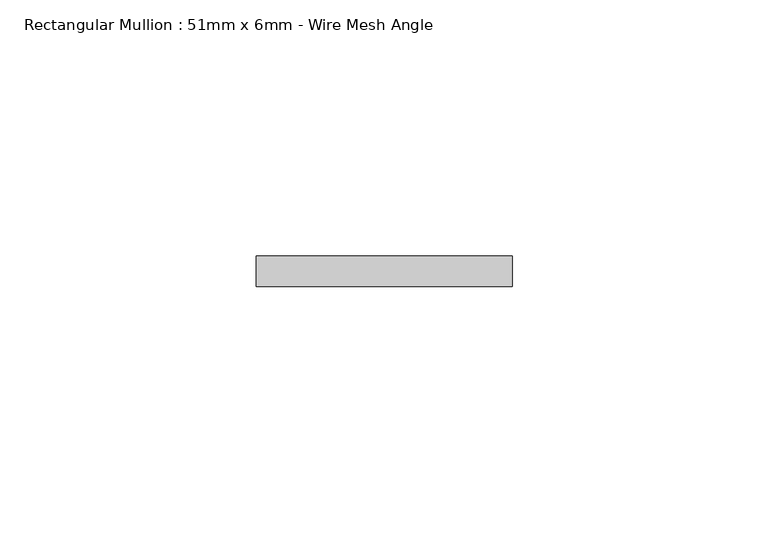
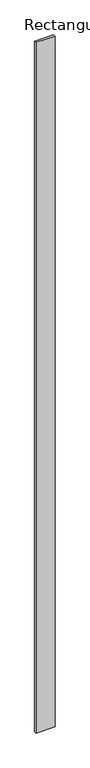
"""IFC4 building model written with IfcOpenShell, lengths in millimetres: member geometry, Rectangular Mullion : 51mm x 6mm - Wire Mesh Angle."""

from ifc_helpers import new_model, si_unit, frame, origin, place, context, project, spatial, polyline, outline, extrude, source, transform, mapped, element, save


def rectangular_mullion_51mm_x_6mm_wire_mesh_angle_e69eb967(model_context):
    return source(origin(), model_context, "Body", "SweptSolid", [
        extrude(outline(polyline([(25.0, 3.0), (25.0, -3.0), (-25.0, -3.0), (-25.0, 3.0), (25.0, 3.0)])), frame((0.0, 0.0, -1923.8), z_axis=(0.0, 0.0, 1.0), x_axis=(1.0, 0.0, 0.0)), (0.0, 0.0, 1.0), 1923.8),
    ])


if __name__ == "__main__":
    model = new_model("IFC4")
    model_context = context("Model", 3, world=origin())
    ifc_project = project(units=[si_unit("LENGTHUNIT", "METRE", prefix="MILLI")], contexts=[model_context])
    site = spatial("IfcSite", under=ifc_project)
    building = spatial("IfcBuilding", under=site)
    placement = place(None, origin())
    rectangular_mullion_51mm_x_6mm_wire_mesh_angle_shape = rectangular_mullion_51mm_x_6mm_wire_mesh_angle_e69eb967(model_context)
    element("IfcMember", 1, ObjectType="Rectangular Mullion : 51mm x 6mm - Wire Mesh Angle", at=placement, inside=building, context=model_context, shape_type="MappedRepresentation", body=[
        mapped(rectangular_mullion_51mm_x_6mm_wire_mesh_angle_shape, transform((0.0, 0.0, 0.0), x_axis=(1.0, 0.0, 0.0), y_axis=(0.0, 1.0, 0.0), z_axis=(0.0, 0.0, 1.0))),
    ])
    save(model, "model.ifc")
